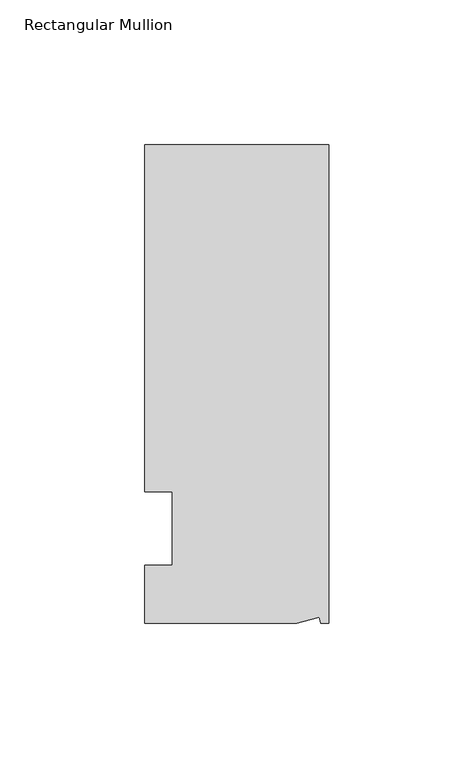
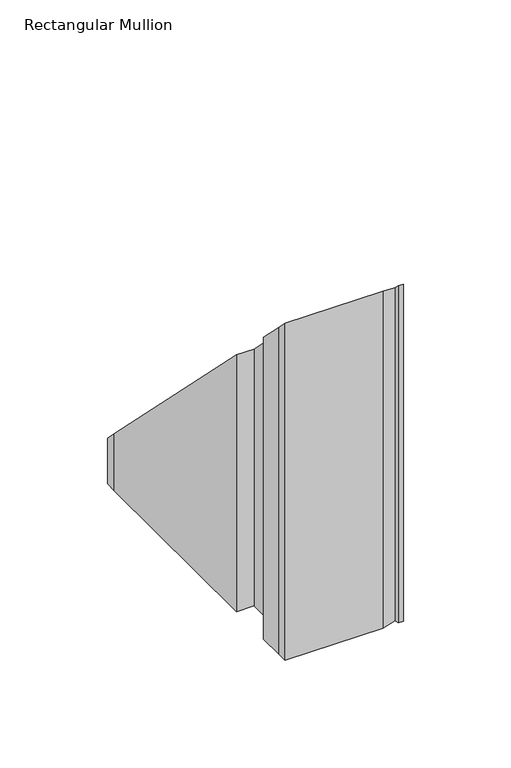
"""IFC4 building model written with IfcOpenShell, lengths in millimetres: member geometry, Rectangular Mullion."""

from ifc_helpers import new_model, si_unit, origin, place, context, project, spatial, faceted_brep, source, transform, mapped, element, save


def rectangular_mullion_e66d5a5d(model_context):
    return source(origin(), model_context, "Body", "Brep", [
        faceted_brep([(0.0, 132.5561012, -158.5163788), (0.0, -32.5438988, -158.5163788), (-2.7616541, -32.5438988, -158.5163788), (-3.3341886, -30.4622958, -158.5163788), (-11.121847, -32.5438988, -158.5163788), (-63.5, -32.5438988, -158.5163788), (-63.5, -26.1938988, -158.5163788), (-63.5, -12.5945801, -158.5163788), (-53.975, -12.5945801, -158.5163788), (-53.975, 12.8054199, -158.5163788), (-63.5, 12.8054199, -158.5163788), (-63.5, 126.2061012, -158.5163788), (-63.5, 132.5561012, -158.5163788), (-63.5, 132.5561012, -132.5561012), (0.0, 132.5561012, -132.5561012), (-63.5, 12.8054199, -12.8054199), (-63.5, 126.2061012, -126.2061012), (-53.975, 12.8054199, -12.8054199), (-53.975, -12.5945801, 12.5945801), (-63.5, -12.5945801, 12.5945801), (-63.5, -26.1938988, 26.1938988), (-11.121847, -32.5438988, 32.5438988), (-63.5, -32.5438988, 32.5438988), (-3.3341886, -30.4622958, 30.4622958), (-2.7616541, -32.5438988, 32.5438988), (0.0, -32.5438988, 32.5438988)], [[[0, 1, 2, 3, 4, 5, 6, 7, 8, 9, 10, 11, 12]], [[13, 14, 0, 12]], [[15, 16, 11, 10]], [[17, 15, 10, 9]], [[18, 17, 9, 8]], [[19, 18, 8, 7]], [[20, 19, 7, 6]], [[21, 22, 5, 4]], [[23, 21, 4, 3]], [[24, 23, 3, 2]], [[25, 24, 2, 1]], [[14, 25, 1, 0]], [[14, 13, 16, 15, 17, 18, 19, 20, 22, 21, 23, 24, 25]], [[16, 13, 12, 11]], [[22, 20, 6, 5]]]),
    ])


if __name__ == "__main__":
    model = new_model("IFC4")
    model_context = context("Model", 3, world=origin())
    ifc_project = project(units=[si_unit("LENGTHUNIT", "METRE", prefix="MILLI")], contexts=[model_context])
    site = spatial("IfcSite", under=ifc_project)
    building = spatial("IfcBuilding", under=site)
    placement = place(None, origin())
    rectangular_mullion_shape = rectangular_mullion_e66d5a5d(model_context)
    element("IfcMember", 1, ObjectType="Rectangular Mullion", at=placement, inside=building, context=model_context, shape_type="MappedRepresentation", body=[
        mapped(rectangular_mullion_shape, transform((0.0, 0.0, 0.0), x_axis=(1.0, 0.0, 0.0), y_axis=(0.0, 1.0, 0.0), z_axis=(0.0, 0.0, 1.0))),
    ])
    save(model, "model.ifc")
